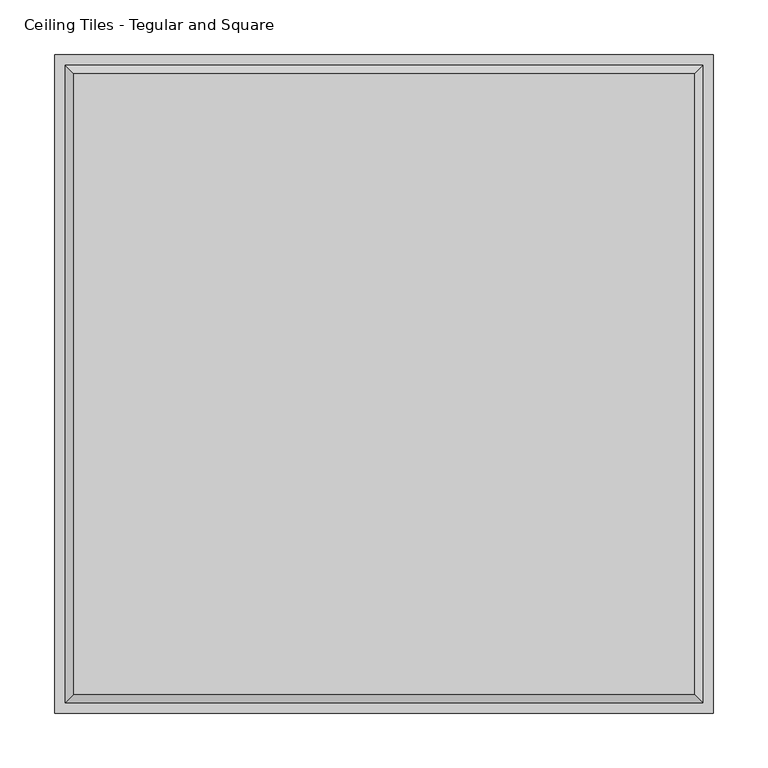
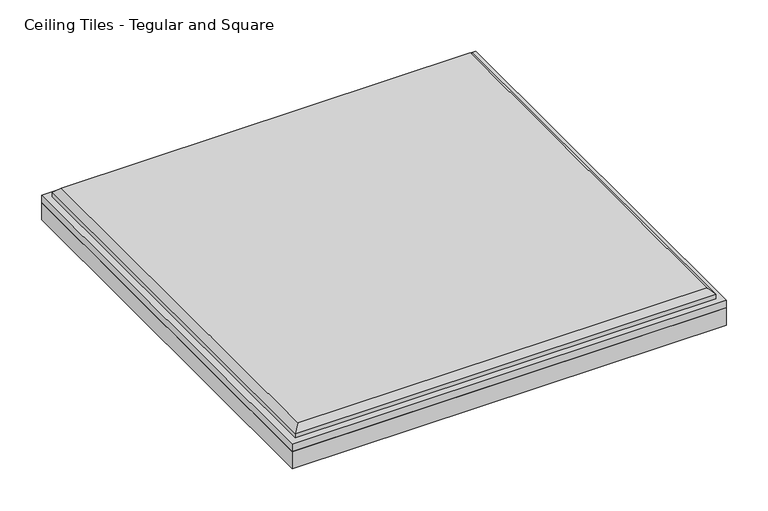
"""IFC4 building model written with IfcOpenShell, lengths in millimetres: proxy geometry, Ceiling Tiles - Tegular and Square."""

import ifcopenshell
import ifcopenshell.guid

model = None  # the IFC model being written
_history = None  # IfcOwnerHistory: only IFC2X3 demands one
_inside = {}  # id of a spatial element -> (the spatial element, [elements in it])
_under = {}  # id of a project, library or spatial element -> (it, [spatial elements below it])
_declared = {}  # id of a project -> (the project, [libraries it declares])
_typed = {}  # id of a type object -> (the type object, [elements of that type])
_made_of = {}  # id of a material, layer set ... -> (it, [elements and type objects made of it])


def new_model(schema):
    """Start an empty IFC model of exactly this schema.

    Asked for "IFC4X3", IfcOpenShell would pick the latest addendum, in which some entities
    have other attributes; the version numbers below select the first issue.
    IFC2X3 requires an IfcOwnerHistory on every rooted entity: one is made here for all.
    """
    global model, _history
    if schema == "IFC4X3":
        model = ifcopenshell.file(schema_version=(4, 3, 0, 0))
    else:
        model = ifcopenshell.file(schema=schema)
    _inside.clear()
    _under.clear()
    _declared.clear()
    _typed.clear()
    _made_of.clear()
    _history = None
    if model.schema == "IFC2X3":
        org = make("IfcOrganization", Name="unknown")
        user = make(
            "IfcPersonAndOrganization",
            ThePerson=make("IfcPerson", FamilyName="unknown"),
            TheOrganization=org,
        )
        app = make(
            "IfcApplication",
            ApplicationDeveloper=org,
            Version="unknown",
            ApplicationFullName="unknown",
            ApplicationIdentifier="unknown",
        )
        _history = make(
            "IfcOwnerHistory",
            OwningUser=user,
            OwningApplication=app,
            ChangeAction="ADDED",
            CreationDate=0,
        )
    return model


def make(cls, **values):
    """One entity of the class cls with the attributes given. An attribute that is None is left unset."""
    return model.create_entity(
        cls, **{name: value for name, value in values.items() if value is not None}
    )


def rooted(cls, **values):
    """An entity with a GlobalId (a new one), such as an element, a storey or a relation."""
    return make(cls, GlobalId=ifcopenshell.guid.new(), OwnerHistory=_history, **values)


def si_unit(unit_type, name, prefix=None):
    """IfcSIUnit, for example si_unit("LENGTHUNIT", "METRE", prefix="MILLI")."""
    return make("IfcSIUnit", UnitType=unit_type, Prefix=prefix, Name=name)


def assignment(units):
    """IfcUnitAssignment: the units of a project."""
    return None if units is None else make("IfcUnitAssignment", Units=units)


def point(xyz):
    """IfcCartesianPoint."""
    return None if xyz is None else make("IfcCartesianPoint", Coordinates=xyz)


def direction(xyz):
    """IfcDirection."""
    return None if xyz is None else make("IfcDirection", DirectionRatios=xyz)


def frame(location, z_axis=None, x_axis=None):
    """IfcAxis2Placement3D, a coordinate frame: its origin and axes. An axis left out is left unset."""
    return make(
        "IfcAxis2Placement3D",
        Location=point(location),
        Axis=direction(z_axis),
        RefDirection=direction(x_axis),
    )


def origin():
    """The frame at (0, 0, 0) with its axes left unset."""
    return frame((0.0, 0.0, 0.0))


def origin_with_axes():
    """The frame at (0, 0, 0) with the z axis (0, 0, 1) and the x axis (1, 0, 0) written out."""
    return frame((0.0, 0.0, 0.0), z_axis=(0.0, 0.0, 1.0), x_axis=(1.0, 0.0, 0.0))


def place(relative_to, where):
    """IfcLocalPlacement: puts the frame where relative to a parent placement (None: the world)."""
    return make(
        "IfcLocalPlacement", PlacementRelTo=relative_to, RelativePlacement=where
    )


def context(
    kind, dimensions, precision=None, world=None, true_north=None, identifier=None
):
    """IfcGeometricRepresentationContext, for example the 3D "Model" context."""
    return make(
        "IfcGeometricRepresentationContext",
        ContextIdentifier=identifier,
        ContextType=kind,
        CoordinateSpaceDimension=dimensions,
        Precision=precision,
        WorldCoordinateSystem=world,
        TrueNorth=true_north,
    )


def project(units=None, contexts=None):
    """IfcProject with its units and contexts."""
    return rooted(
        "IfcProject",
        Name="project",
        RepresentationContexts=contexts,
        UnitsInContext=assignment(units),
    )


def spatial(cls, under=None, at=None, **own):
    """A site, building, storey or space (cls), placed at a placement, below another one or the project."""
    s = rooted(cls, ObjectPlacement=at, **own)
    if under is not None:
        _under.setdefault(under.id(), (under, []))[1].append(s)
    return s


def polyline(points):
    """IfcPolyline through the points."""
    return make("IfcPolyline", Points=[point(p) for p in points])


def outline(outer, holes=None, kind="AREA"):
    """IfcArbitraryClosedProfileDef: a profile drawn as a closed curve; with holes, ...WithVoids."""
    if holes is None:
        return make("IfcArbitraryClosedProfileDef", ProfileType=kind, OuterCurve=outer)
    return make(
        "IfcArbitraryProfileDefWithVoids",
        ProfileType=kind,
        OuterCurve=outer,
        InnerCurves=holes,
    )


def extrude(swept, where, along, depth):
    """IfcExtrudedAreaSolid: the profile swept, set in the frame where, extruded along a direction by depth."""
    return make(
        "IfcExtrudedAreaSolid",
        SweptArea=swept,
        Position=where,
        ExtrudedDirection=direction(along),
        Depth=depth,
    )


def faces_of(points, faces, orient=None, outer=None):
    """IfcFace entities. A face is a list of loops; a loop is a list of indices into points, from 0.

    orient and outer hold one flag for each loop. By default every Orientation is true, the
    first loop of a face is its IfcFaceOuterBound and the others are IfcFaceBound.
    """
    made = []
    for i, loops in enumerate(faces):
        bounds = []
        for j, loop in enumerate(loops):
            is_outer = j == 0 if outer is None else outer[i][j]
            bounds.append(
                make(
                    "IfcFaceOuterBound" if is_outer else "IfcFaceBound",
                    Bound=make("IfcPolyLoop", Polygon=[points[k] for k in loop]),
                    Orientation=True if orient is None else orient[i][j],
                )
            )
        made.append(make("IfcFace", Bounds=bounds))
    return made


def faceted_brep(points, faces, orient=None, outer=None, voids=None):
    """IfcFacetedBrep: a solid bounded by flat faces; with voids (closed shells), ...WithVoids."""
    shared = [point(p) for p in points]
    hull = make("IfcClosedShell", CfsFaces=faces_of(shared, faces, orient, outer))
    if voids is None:
        return make("IfcFacetedBrep", Outer=hull)
    return make(
        "IfcFacetedBrepWithVoids",
        Outer=hull,
        Voids=[
            make(cls, CfsFaces=faces_of(shared, fs, o, b)) for cls, fs, o, b in voids
        ],
    )


def shape(context_of_items, identifier, shape_type, items):
    """IfcShapeRepresentation: the items that make up one representation, for example the "Body"."""
    return make(
        "IfcShapeRepresentation",
        ContextOfItems=context_of_items,
        RepresentationIdentifier=identifier,
        RepresentationType=shape_type,
        Items=items,
    )


def source(mapping_origin, context_of_items, identifier, shape_type, items):
    """IfcRepresentationMap: a shape defined once, which mapped items show again and again."""
    return make(
        "IfcRepresentationMap",
        MappingOrigin=mapping_origin,
        MappedRepresentation=shape(context_of_items, identifier, shape_type, items),
    )


def transform(
    local_origin,
    x_axis=None,
    y_axis=None,
    z_axis=None,
    scale=None,
    scale2=None,
    scale3=None,
    uniform=True,
):
    """IfcCartesianTransformationOperator3D, or its non-uniform kind. x_axis, y_axis, z_axis: its Axis1, 2, 3."""
    if uniform:
        return make(
            "IfcCartesianTransformationOperator3D",
            Axis1=direction(x_axis),
            Axis2=direction(y_axis),
            LocalOrigin=point(local_origin),
            Scale=scale,
            Axis3=direction(z_axis),
        )
    return make(
        "IfcCartesianTransformationOperator3DnonUniform",
        Axis1=direction(x_axis),
        Axis2=direction(y_axis),
        LocalOrigin=point(local_origin),
        Scale=scale,
        Axis3=direction(z_axis),
        Scale2=scale2,
        Scale3=scale3,
    )


def mapped(mapping_source, mapping_target):
    """IfcMappedItem: shows the shape of a source again, moved by a transform."""
    return make(
        "IfcMappedItem", MappingSource=mapping_source, MappingTarget=mapping_target
    )


def made_of(thing, what):
    """Note that an element or type object is made of a material, layer set ...; save() writes the relation."""
    if what is not None:
        _made_of.setdefault(what.id(), (what, []))[1].append(thing)
    return thing


def element(
    cls,
    number,
    at=None,
    inside=None,
    cuts=None,
    type_object=None,
    material=None,
    context=None,
    identifier="Body",
    shape_type=None,
    held_by="IfcProductDefinitionShape",
    body=None,
    shapes=None,
    **own,
):
    """One element of the class cls, such as IfcWall. Its Tag is "e" and its number.

    at: its placement. inside: the storey or other place that contains it. cuts: it is an
    opening in that element (IfcRelVoidsElement). A single representation is given by context,
    identifier, shape_type and body (its items); several are given by shapes. held_by: the class
    of the entity that holds the representations. save() writes the other relations.
    """
    e = rooted(cls, Tag="e%d" % number, ObjectPlacement=at, **own)
    if body is not None:
        shapes = [shape(context, identifier, shape_type, body)]
    if shapes is not None:
        e.Representation = make(held_by, Representations=shapes)
    if inside is not None:
        _inside.setdefault(inside.id(), (inside, []))[1].append(e)
    if cuts is not None:
        rooted(
            "IfcRelVoidsElement", RelatingBuildingElement=cuts, RelatedOpeningElement=e
        )
    if type_object is not None:
        _typed.setdefault(type_object.id(), (type_object, []))[1].append(e)
    return made_of(e, material)


def aggregate(whole, parts):
    """IfcRelAggregates: a whole, such as a stair, and the parts it consists of."""
    return rooted("IfcRelAggregates", RelatingObject=whole, RelatedObjects=parts)


def save(model, path):
    """Write the relations noted so far, then the file.

    IfcRelAggregates (storeys below a building ...), IfcRelContainedInSpatialStructure (elements
    in a storey), IfcRelDefinesByType, IfcRelAssociatesMaterial and IfcRelDeclares: one each for
    every whole, place, type object, material and project.
    """
    for whole, parts in _under.values():
        aggregate(whole, parts)
    for where, things in _inside.values():
        rooted(
            "IfcRelContainedInSpatialStructure",
            RelatedElements=things,
            RelatingStructure=where,
        )
    for kind, things in _typed.values():
        rooted("IfcRelDefinesByType", RelatedObjects=things, RelatingType=kind)
    for what, things in _made_of.values():
        rooted("IfcRelAssociatesMaterial", RelatedObjects=things, RelatingMaterial=what)
    for by, libraries in _declared.values():
        rooted("IfcRelDeclares", RelatingContext=by, RelatedDefinitions=libraries)
    model.write(path)


def ceiling_tiles_tegular_and_square_115dda28(model_context):
    return source(origin(), model_context, "Body", "SolidModel", [
        extrude(outline(polyline([(301.625, 301.625), (301.625, -301.625), (-301.625, -301.625), (-301.625, 301.625), (301.625, 301.625)])), origin_with_axes(), (0.0, 0.0, 1.0), 25.4),
        faceted_brep([(284.099, 284.099, 50.8), (-284.099, 284.099, 50.8), (-284.099, -284.099, 50.8), (284.099, -284.099, 50.8), (-301.625, 301.625, 25.4), (301.625, 301.625, 25.4), (301.625, -301.625, 25.4), (-301.625, -301.625, 25.4), (-301.625, -301.625, 36.5125), (-301.625, 301.625, 36.5125), (301.625, -301.625, 36.5125), (301.625, 301.625, 36.5125), (292.1, 292.1, 42.799), (-292.1, 292.1, 42.799), (-292.1, -292.1, 42.799), (292.1, -292.1, 42.799), (292.1, 292.1, 36.5125), (-292.1, 292.1, 36.5125), (-292.1, -292.1, 36.5125), (292.1, -292.1, 36.5125)], [[[0, 1, 2, 3]], [[4, 5, 6, 7]], [[4, 7, 8, 9]], [[7, 6, 10, 8]], [[6, 5, 11, 10]], [[5, 4, 9, 11]], [[12, 13, 1, 0]], [[1, 13, 14, 2]], [[2, 14, 15, 3]], [[12, 0, 3, 15]], [[16, 17, 13, 12]], [[13, 17, 18, 14]], [[14, 18, 19, 15]], [[16, 12, 15, 19]], [[9, 8, 10, 11], [17, 16, 19, 18]]]),
    ])


if __name__ == "__main__":
    model = new_model("IFC4")
    model_context = context("Model", 3, world=origin())
    ifc_project = project(units=[si_unit("LENGTHUNIT", "METRE", prefix="MILLI")], contexts=[model_context])
    site = spatial("IfcSite", under=ifc_project)
    building = spatial("IfcBuilding", under=site)
    placement = place(None, origin())
    ceiling_tiles_tegular_and_square_shape = ceiling_tiles_tegular_and_square_115dda28(model_context)
    element("IfcBuildingElementProxy", 1, Name="Ceiling Tiles - Tegular and Square", ObjectType="Ceiling Tiles - Tegular and Square", at=placement, inside=building, context=model_context, shape_type="MappedRepresentation", body=[
        mapped(ceiling_tiles_tegular_and_square_shape, transform((0.0, 0.0, 0.0), x_axis=(1.0, 0.0, 0.0), y_axis=(0.0, 1.0, 0.0), z_axis=(0.0, 0.0, 1.0))),
    ])
    save(model, "model.ifc")
